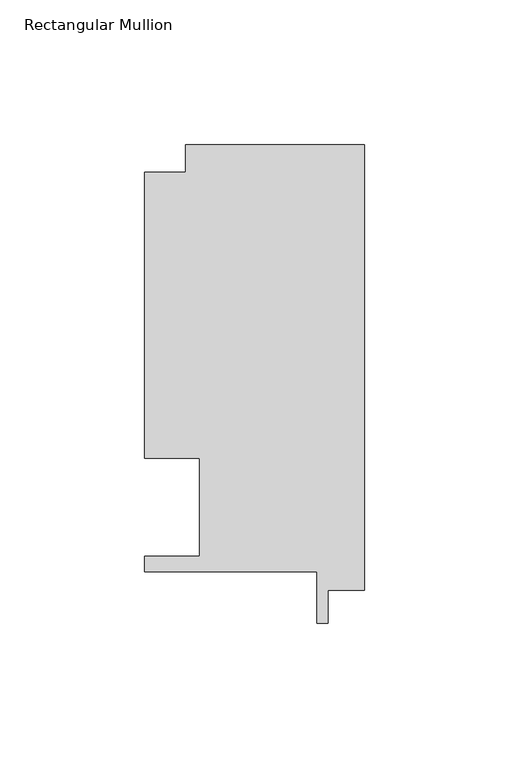
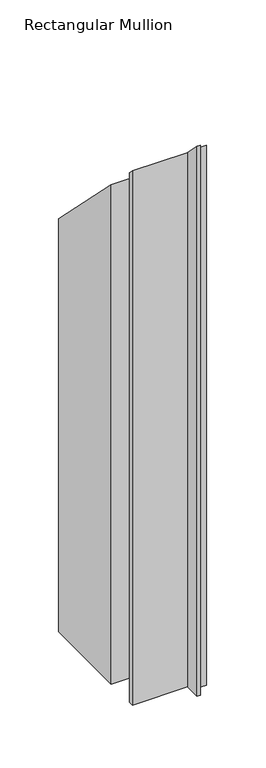
"""IFC4 building model written with IfcOpenShell, lengths in millimetres: member geometry, Rectangular Mullion."""

from ifc_helpers import new_model, si_unit, origin, place, context, project, spatial, faceted_brep, source, transform, mapped, element, save


def rectangular_mullion_f3b69011(model_context):
    return source(origin(), model_context, "Body", "Brep", [
        faceted_brep([(0.0, 147.847839, -609.56825), (0.0, -6.330161, -609.56825), (-12.7, -6.330161, -609.56825), (-12.7, -17.7344489, -609.56825), (-16.3618359, -17.7344489, -609.56825), (-16.3618359, 0.019839, -609.56825), (-76.2, 0.019839, -609.56825), (-76.2, 5.353839, -609.56825), (-57.1499999, 5.353839, -609.56825), (-57.1499999, 39.3898438, -609.56825), (-76.1999999, 39.3898437, -609.56825), (-76.1999999, 138.3228438, -609.56825), (-61.9124999, 138.3228438, -609.56825), (-61.9124999, 147.847839, -609.56825), (-61.9124999, 147.847839, -147.847839), (0.0, 147.847839, -147.847839), (-61.9124999, 138.3228438, -138.3228437), (-76.1999999, 138.3228438, -138.3228437), (-76.1999999, 39.3898437, -39.3898437), (-57.1499999, 39.3898438, -39.3898437), (-57.1499999, 5.353839, -5.353839), (-76.2, 5.353839, -5.353839), (-76.2, 0.019839, -0.019839), (-16.3618359, 0.019839, -0.019839), (-16.3618359, -17.7344489, 17.7344489), (-12.7, -17.7344489, 17.7344489), (-12.7, -6.330161, 6.330161), (0.0, -6.330161, 6.330161)], [[[0, 1, 2, 3, 4, 5, 6, 7, 8, 9, 10, 11, 12, 13]], [[14, 15, 0, 13]], [[16, 14, 13, 12]], [[17, 16, 12, 11]], [[18, 17, 11, 10]], [[19, 18, 10, 9]], [[20, 19, 9, 8]], [[21, 20, 8, 7]], [[22, 21, 7, 6]], [[23, 22, 6, 5]], [[24, 23, 5, 4]], [[25, 24, 4, 3]], [[26, 25, 3, 2]], [[27, 26, 2, 1]], [[15, 27, 1, 0]], [[15, 14, 16, 17, 18, 19, 20, 21, 22, 23, 24, 25, 26, 27]]]),
    ])


if __name__ == "__main__":
    model = new_model("IFC4")
    model_context = context("Model", 3, world=origin())
    ifc_project = project(units=[si_unit("LENGTHUNIT", "METRE", prefix="MILLI")], contexts=[model_context])
    site = spatial("IfcSite", under=ifc_project)
    building = spatial("IfcBuilding", under=site)
    placement = place(None, origin())
    rectangular_mullion_shape = rectangular_mullion_f3b69011(model_context)
    element("IfcMember", 1, ObjectType="Rectangular Mullion", at=placement, inside=building, context=model_context, shape_type="MappedRepresentation", body=[
        mapped(rectangular_mullion_shape, transform((0.0, 0.0, 0.0), x_axis=(1.0, 0.0, 0.0), y_axis=(0.0, 1.0, 0.0), z_axis=(0.0, 0.0, 1.0))),
    ])
    save(model, "model.ifc")
